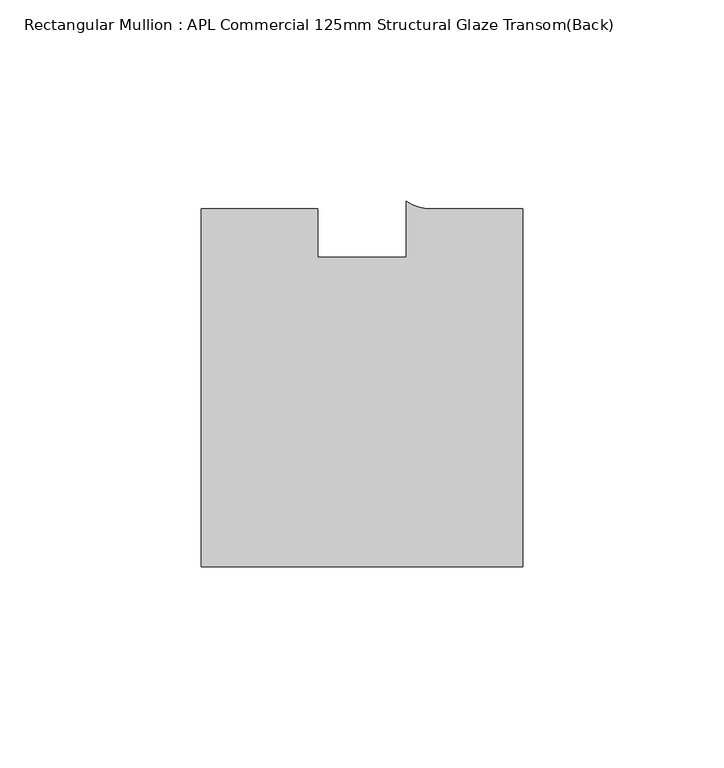
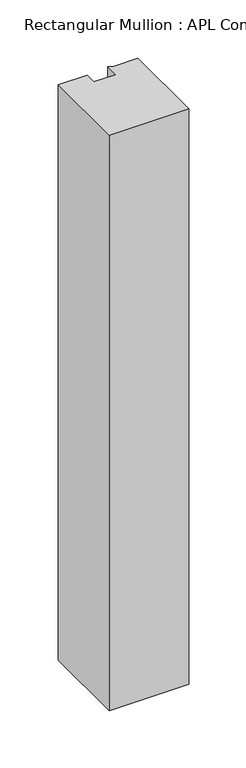
"""IFC4 building model written with IfcOpenShell, lengths in millimetres: member geometry, Rectangular Mullion : APL Commercial 125mm Structural Glaze Transom(Back)."""

import ifcopenshell
import ifcopenshell.guid

model = None  # the IFC model being written
_history = None  # IfcOwnerHistory: only IFC2X3 demands one
_inside = {}  # id of a spatial element -> (the spatial element, [elements in it])
_under = {}  # id of a project, library or spatial element -> (it, [spatial elements below it])
_declared = {}  # id of a project -> (the project, [libraries it declares])
_typed = {}  # id of a type object -> (the type object, [elements of that type])
_made_of = {}  # id of a material, layer set ... -> (it, [elements and type objects made of it])


def new_model(schema):
    """Start an empty IFC model of exactly this schema.

    Asked for "IFC4X3", IfcOpenShell would pick the latest addendum, in which some entities
    have other attributes; the version numbers below select the first issue.
    IFC2X3 requires an IfcOwnerHistory on every rooted entity: one is made here for all.
    """
    global model, _history
    if schema == "IFC4X3":
        model = ifcopenshell.file(schema_version=(4, 3, 0, 0))
    else:
        model = ifcopenshell.file(schema=schema)
    _inside.clear()
    _under.clear()
    _declared.clear()
    _typed.clear()
    _made_of.clear()
    _history = None
    if model.schema == "IFC2X3":
        org = make("IfcOrganization", Name="unknown")
        user = make(
            "IfcPersonAndOrganization",
            ThePerson=make("IfcPerson", FamilyName="unknown"),
            TheOrganization=org,
        )
        app = make(
            "IfcApplication",
            ApplicationDeveloper=org,
            Version="unknown",
            ApplicationFullName="unknown",
            ApplicationIdentifier="unknown",
        )
        _history = make(
            "IfcOwnerHistory",
            OwningUser=user,
            OwningApplication=app,
            ChangeAction="ADDED",
            CreationDate=0,
        )
    return model


def make(cls, **values):
    """One entity of the class cls with the attributes given. An attribute that is None is left unset."""
    return model.create_entity(
        cls, **{name: value for name, value in values.items() if value is not None}
    )


def rooted(cls, **values):
    """An entity with a GlobalId (a new one), such as an element, a storey or a relation."""
    return make(cls, GlobalId=ifcopenshell.guid.new(), OwnerHistory=_history, **values)


def si_unit(unit_type, name, prefix=None):
    """IfcSIUnit, for example si_unit("LENGTHUNIT", "METRE", prefix="MILLI")."""
    return make("IfcSIUnit", UnitType=unit_type, Prefix=prefix, Name=name)


def assignment(units):
    """IfcUnitAssignment: the units of a project."""
    return None if units is None else make("IfcUnitAssignment", Units=units)


def point(xyz):
    """IfcCartesianPoint."""
    return None if xyz is None else make("IfcCartesianPoint", Coordinates=xyz)


def direction(xyz):
    """IfcDirection."""
    return None if xyz is None else make("IfcDirection", DirectionRatios=xyz)


def frame(location, z_axis=None, x_axis=None):
    """IfcAxis2Placement3D, a coordinate frame: its origin and axes. An axis left out is left unset."""
    return make(
        "IfcAxis2Placement3D",
        Location=point(location),
        Axis=direction(z_axis),
        RefDirection=direction(x_axis),
    )


def frame_2d(location, x_axis=None):
    """IfcAxis2Placement2D, a coordinate frame in the plane: its origin and x axis."""
    return make(
        "IfcAxis2Placement2D", Location=point(location), RefDirection=direction(x_axis)
    )


def origin():
    """The frame at (0, 0, 0) with its axes left unset."""
    return frame((0.0, 0.0, 0.0))


def place(relative_to, where):
    """IfcLocalPlacement: puts the frame where relative to a parent placement (None: the world)."""
    return make(
        "IfcLocalPlacement", PlacementRelTo=relative_to, RelativePlacement=where
    )


def context(
    kind, dimensions, precision=None, world=None, true_north=None, identifier=None
):
    """IfcGeometricRepresentationContext, for example the 3D "Model" context."""
    return make(
        "IfcGeometricRepresentationContext",
        ContextIdentifier=identifier,
        ContextType=kind,
        CoordinateSpaceDimension=dimensions,
        Precision=precision,
        WorldCoordinateSystem=world,
        TrueNorth=true_north,
    )


def project(units=None, contexts=None):
    """IfcProject with its units and contexts."""
    return rooted(
        "IfcProject",
        Name="project",
        RepresentationContexts=contexts,
        UnitsInContext=assignment(units),
    )


def spatial(cls, under=None, at=None, **own):
    """A site, building, storey or space (cls), placed at a placement, below another one or the project."""
    s = rooted(cls, ObjectPlacement=at, **own)
    if under is not None:
        _under.setdefault(under.id(), (under, []))[1].append(s)
    return s


def polyline(points):
    """IfcPolyline through the points."""
    return make("IfcPolyline", Points=[point(p) for p in points])


def circle_curve(where, radius):
    """IfcCircle in the frame where."""
    return make("IfcCircle", Position=where, Radius=radius)


def trimmed(basis, trim1, trim2, sense, master):
    """IfcTrimmedCurve: the piece of a basis curve between two trims."""
    return make(
        "IfcTrimmedCurve",
        BasisCurve=basis,
        Trim1=trim1,
        Trim2=trim2,
        SenseAgreement=sense,
        MasterRepresentation=master,
    )


def segment(curve, same_sense, transition):
    """IfcCompositeCurveSegment."""
    return make(
        "IfcCompositeCurveSegment",
        Transition=transition,
        SameSense=same_sense,
        ParentCurve=curve,
    )


def composite_curve(segments, self_intersect=None):
    """IfcCompositeCurve: segments joined end to end."""
    return make("IfcCompositeCurve", Segments=segments, SelfIntersect=self_intersect)


def outline(outer, holes=None, kind="AREA"):
    """IfcArbitraryClosedProfileDef: a profile drawn as a closed curve; with holes, ...WithVoids."""
    if holes is None:
        return make("IfcArbitraryClosedProfileDef", ProfileType=kind, OuterCurve=outer)
    return make(
        "IfcArbitraryProfileDefWithVoids",
        ProfileType=kind,
        OuterCurve=outer,
        InnerCurves=holes,
    )


def extrude(swept, where, along, depth):
    """IfcExtrudedAreaSolid: the profile swept, set in the frame where, extruded along a direction by depth."""
    return make(
        "IfcExtrudedAreaSolid",
        SweptArea=swept,
        Position=where,
        ExtrudedDirection=direction(along),
        Depth=depth,
    )


def shape(context_of_items, identifier, shape_type, items):
    """IfcShapeRepresentation: the items that make up one representation, for example the "Body"."""
    return make(
        "IfcShapeRepresentation",
        ContextOfItems=context_of_items,
        RepresentationIdentifier=identifier,
        RepresentationType=shape_type,
        Items=items,
    )


def source(mapping_origin, context_of_items, identifier, shape_type, items):
    """IfcRepresentationMap: a shape defined once, which mapped items show again and again."""
    return make(
        "IfcRepresentationMap",
        MappingOrigin=mapping_origin,
        MappedRepresentation=shape(context_of_items, identifier, shape_type, items),
    )


def transform(
    local_origin,
    x_axis=None,
    y_axis=None,
    z_axis=None,
    scale=None,
    scale2=None,
    scale3=None,
    uniform=True,
):
    """IfcCartesianTransformationOperator3D, or its non-uniform kind. x_axis, y_axis, z_axis: its Axis1, 2, 3."""
    if uniform:
        return make(
            "IfcCartesianTransformationOperator3D",
            Axis1=direction(x_axis),
            Axis2=direction(y_axis),
            LocalOrigin=point(local_origin),
            Scale=scale,
            Axis3=direction(z_axis),
        )
    return make(
        "IfcCartesianTransformationOperator3DnonUniform",
        Axis1=direction(x_axis),
        Axis2=direction(y_axis),
        LocalOrigin=point(local_origin),
        Scale=scale,
        Axis3=direction(z_axis),
        Scale2=scale2,
        Scale3=scale3,
    )


def mapped(mapping_source, mapping_target):
    """IfcMappedItem: shows the shape of a source again, moved by a transform."""
    return make(
        "IfcMappedItem", MappingSource=mapping_source, MappingTarget=mapping_target
    )


def made_of(thing, what):
    """Note that an element or type object is made of a material, layer set ...; save() writes the relation."""
    if what is not None:
        _made_of.setdefault(what.id(), (what, []))[1].append(thing)
    return thing


def element(
    cls,
    number,
    at=None,
    inside=None,
    cuts=None,
    type_object=None,
    material=None,
    context=None,
    identifier="Body",
    shape_type=None,
    held_by="IfcProductDefinitionShape",
    body=None,
    shapes=None,
    **own,
):
    """One element of the class cls, such as IfcWall. Its Tag is "e" and its number.

    at: its placement. inside: the storey or other place that contains it. cuts: it is an
    opening in that element (IfcRelVoidsElement). A single representation is given by context,
    identifier, shape_type and body (its items); several are given by shapes. held_by: the class
    of the entity that holds the representations. save() writes the other relations.
    """
    e = rooted(cls, Tag="e%d" % number, ObjectPlacement=at, **own)
    if body is not None:
        shapes = [shape(context, identifier, shape_type, body)]
    if shapes is not None:
        e.Representation = make(held_by, Representations=shapes)
    if inside is not None:
        _inside.setdefault(inside.id(), (inside, []))[1].append(e)
    if cuts is not None:
        rooted(
            "IfcRelVoidsElement", RelatingBuildingElement=cuts, RelatedOpeningElement=e
        )
    if type_object is not None:
        _typed.setdefault(type_object.id(), (type_object, []))[1].append(e)
    return made_of(e, material)


def aggregate(whole, parts):
    """IfcRelAggregates: a whole, such as a stair, and the parts it consists of."""
    return rooted("IfcRelAggregates", RelatingObject=whole, RelatedObjects=parts)


def save(model, path):
    """Write the relations noted so far, then the file.

    IfcRelAggregates (storeys below a building ...), IfcRelContainedInSpatialStructure (elements
    in a storey), IfcRelDefinesByType, IfcRelAssociatesMaterial and IfcRelDeclares: one each for
    every whole, place, type object, material and project.
    """
    for whole, parts in _under.values():
        aggregate(whole, parts)
    for where, things in _inside.values():
        rooted(
            "IfcRelContainedInSpatialStructure",
            RelatedElements=things,
            RelatingStructure=where,
        )
    for kind, things in _typed.values():
        rooted("IfcRelDefinesByType", RelatedObjects=things, RelatingType=kind)
    for what, things in _made_of.values():
        rooted("IfcRelAssociatesMaterial", RelatedObjects=things, RelatingMaterial=what)
    for by, libraries in _declared.values():
        rooted("IfcRelDeclares", RelatingContext=by, RelatedDefinitions=libraries)
    model.write(path)


def rectangular_mullion_apl_commercial_125mm_structural_glaze_2066d4ba(model_context):
    return source(origin(), model_context, "Body", "SweptSolid", [
        extrude(outline(composite_curve([segment(polyline([(40.0, -104.0), (-40.0, -104.0), (-40.0, -15.0000829), (-11.0000151, -15.0000829), (-11.0000151, -27.0), (11.0000151, -27.0), (11.0000151, -13.0673455)]), True, "CONTINUOUS"), segment(trimmed(circle_curve(frame_2d((17.1097719, -4.581653)), 10.4563907), [point((11.0000151, -13.0673455))], [point((17.9999542, -15.0000829))], True, "CARTESIAN"), True, "CONTINUOUS"), segment(polyline([(17.9999542, -15.0000829), (40.0, -15.0000829), (40.0, -104.0)]), True, "CONTINUOUS")], self_intersect=False)), frame((0.0, 0.0, -613.5139257), z_axis=(0.0, 0.0, 1.0), x_axis=(1.0, 0.0, 0.0)), (0.0, 0.0, 1.0), 613.5139257),
    ])


if __name__ == "__main__":
    model = new_model("IFC4")
    model_context = context("Model", 3, world=origin())
    ifc_project = project(units=[si_unit("LENGTHUNIT", "METRE", prefix="MILLI")], contexts=[model_context])
    site = spatial("IfcSite", under=ifc_project)
    building = spatial("IfcBuilding", under=site)
    placement = place(None, origin())
    rectangular_mullion_apl_commercial_125mm_structural_glaze_shape = rectangular_mullion_apl_commercial_125mm_structural_glaze_2066d4ba(model_context)
    element("IfcMember", 1, ObjectType="Rectangular Mullion : APL Commercial 125mm Structural Glaze Transom(Back)", at=placement, inside=building, context=model_context, shape_type="MappedRepresentation", body=[
        mapped(rectangular_mullion_apl_commercial_125mm_structural_glaze_shape, transform((0.0, 0.0, 0.0), x_axis=(1.0, 0.0, 0.0), y_axis=(0.0, 1.0, 0.0), z_axis=(0.0, 0.0, 1.0))),
    ])
    save(model, "model.ifc")
